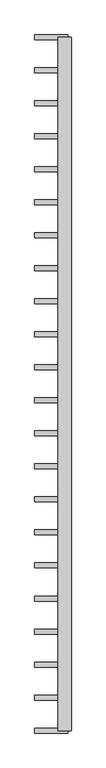
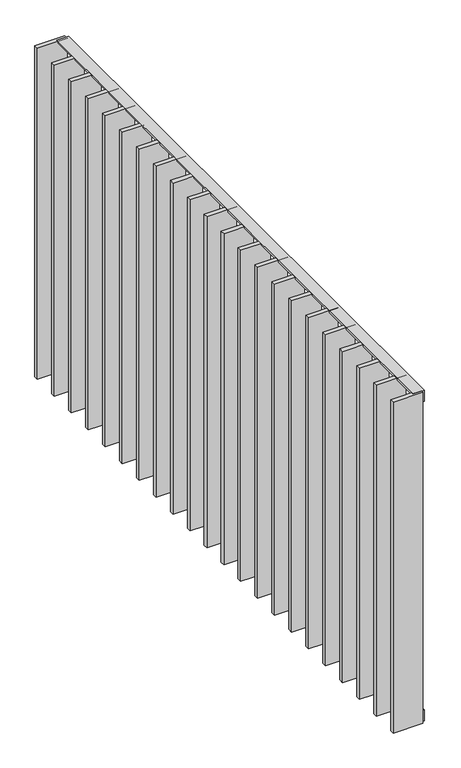
"""IFC4 building model written with IfcOpenShell, lengths in millimetres: railing geometry."""

from ifc_helpers import new_model, si_unit, frame, origin, place, context, project, spatial, polyline, outline, extrude, source, transform, mapped, element, save


def railing_4c27e26e(model_context):
    return source(origin(), model_context, "Body", "SweptSolid", [
        extrude(outline(polyline([(-6.0, 14.0), (-40.0, 14.0), (-40.0, 20.0), (0.0, 20.0), (0.0, -20.0), (-6.0, -20.0), (-6.0, 14.0)])), frame((36501.5348772, -35734.8981444, 8000.0), z_axis=(5.0311672776629815e-12, 1.0, 0.0), x_axis=(0.0, 0.0, 1.0)), (0.0, 0.0, 1.0), 2080.0),
        extrude(outline(polyline([(6.0, 14.0), (6.0, -20.0), (0.0, -20.0), (0.0, 20.0), (40.0, 20.0), (40.0, 14.0), (6.0, 14.0)])), frame((36501.5348772, -35734.8981444, 6820.0), z_axis=(5.0311672776629815e-12, 1.0, 0.0), x_axis=(0.0, 0.0, 1.0)), (0.0, 0.0, 1.0), 2080.0),
        extrude(outline(polyline([(36511.5348772, -33761.4457634), (36411.5348772, -33761.4457634), (36411.5348772, -33746.4457634), (36511.5348772, -33746.4457634), (36511.5348772, -33761.4457634)])), frame((0.0, 0.0, 6819.9), z_axis=(0.0, 0.0, 1.0), x_axis=(1.0, 0.0, 0.0)), (0.0, 0.0, 1.0), 1180.2),
        extrude(outline(polyline([(36511.5348772, -33860.4933825), (36411.5348772, -33860.4933825), (36411.5348772, -33845.4933825), (36511.5348772, -33845.4933825), (36511.5348772, -33860.4933825)])), frame((0.0, 0.0, 6819.9), z_axis=(0.0, 0.0, 1.0), x_axis=(1.0, 0.0, 0.0)), (0.0, 0.0, 1.0), 1180.2),
        extrude(outline(polyline([(36511.5348772, -33959.5410015), (36411.5348772, -33959.5410015), (36411.5348772, -33944.5410015), (36511.5348772, -33944.5410015), (36511.5348772, -33959.5410015)])), frame((0.0, 0.0, 6819.9), z_axis=(0.0, 0.0, 1.0), x_axis=(1.0, 0.0, 0.0)), (0.0, 0.0, 1.0), 1180.2),
        extrude(outline(polyline([(36511.5348772, -34058.5886206), (36411.5348772, -34058.5886206), (36411.5348772, -34043.5886206), (36511.5348772, -34043.5886206), (36511.5348772, -34058.5886206)])), frame((0.0, 0.0, 6819.9), z_axis=(0.0, 0.0, 1.0), x_axis=(1.0, 0.0, 0.0)), (0.0, 0.0, 1.0), 1180.2),
        extrude(outline(polyline([(36511.5348772, -34157.6362396), (36411.5348772, -34157.6362396), (36411.5348772, -34142.6362396), (36511.5348772, -34142.6362396), (36511.5348772, -34157.6362396)])), frame((0.0, 0.0, 6819.9), z_axis=(0.0, 0.0, 1.0), x_axis=(1.0, 0.0, 0.0)), (0.0, 0.0, 1.0), 1180.2),
        extrude(outline(polyline([(36511.5348772, -34256.6838587), (36411.5348772, -34256.6838587), (36411.5348772, -34241.6838587), (36511.5348772, -34241.6838587), (36511.5348772, -34256.6838587)])), frame((0.0, 0.0, 6819.9), z_axis=(0.0, 0.0, 1.0), x_axis=(1.0, 0.0, 0.0)), (0.0, 0.0, 1.0), 1180.2),
        extrude(outline(polyline([(36511.5348772, -34355.7314777), (36411.5348772, -34355.7314777), (36411.5348772, -34340.7314777), (36511.5348772, -34340.7314777), (36511.5348772, -34355.7314777)])), frame((0.0, 0.0, 6819.9), z_axis=(0.0, 0.0, 1.0), x_axis=(1.0, 0.0, 0.0)), (0.0, 0.0, 1.0), 1180.2),
        extrude(outline(polyline([(36511.5348772, -34454.7790968), (36411.5348772, -34454.7790968), (36411.5348772, -34439.7790968), (36511.5348772, -34439.7790968), (36511.5348772, -34454.7790968)])), frame((0.0, 0.0, 6819.9), z_axis=(0.0, 0.0, 1.0), x_axis=(1.0, 0.0, 0.0)), (0.0, 0.0, 1.0), 1180.2),
        extrude(outline(polyline([(36511.5348772, -34553.8267158), (36411.5348772, -34553.8267158), (36411.5348772, -34538.8267158), (36511.5348772, -34538.8267158), (36511.5348772, -34553.8267158)])), frame((0.0, 0.0, 6819.9), z_axis=(0.0, 0.0, 1.0), x_axis=(1.0, 0.0, 0.0)), (0.0, 0.0, 1.0), 1180.2),
        extrude(outline(polyline([(36511.5348772, -34652.8743349), (36411.5348772, -34652.8743349), (36411.5348772, -34637.8743349), (36511.5348772, -34637.8743349), (36511.5348772, -34652.8743349)])), frame((0.0, 0.0, 6819.9), z_axis=(0.0, 0.0, 1.0), x_axis=(1.0, 0.0, 0.0)), (0.0, 0.0, 1.0), 1180.2),
        extrude(outline(polyline([(36511.5348772, -34751.9219539), (36411.5348772, -34751.9219539), (36411.5348772, -34736.9219539), (36511.5348772, -34736.9219539), (36511.5348772, -34751.9219539)])), frame((0.0, 0.0, 6819.9), z_axis=(0.0, 0.0, 1.0), x_axis=(1.0, 0.0, 0.0)), (0.0, 0.0, 1.0), 1180.2),
        extrude(outline(polyline([(36511.5348772, -34850.969573), (36411.5348772, -34850.969573), (36411.5348772, -34835.969573), (36511.5348772, -34835.969573), (36511.5348772, -34850.969573)])), frame((0.0, 0.0, 6819.9), z_axis=(0.0, 0.0, 1.0), x_axis=(1.0, 0.0, 0.0)), (0.0, 0.0, 1.0), 1180.2),
        extrude(outline(polyline([(36511.5348772, -34950.017192), (36411.5348772, -34950.017192), (36411.5348772, -34935.017192), (36511.5348772, -34935.017192), (36511.5348772, -34950.017192)])), frame((0.0, 0.0, 6819.9), z_axis=(0.0, 0.0, 1.0), x_axis=(1.0, 0.0, 0.0)), (0.0, 0.0, 1.0), 1180.2),
        extrude(outline(polyline([(36511.5348772, -35049.064811), (36411.5348772, -35049.064811), (36411.5348772, -35034.064811), (36511.5348772, -35034.064811), (36511.5348772, -35049.064811)])), frame((0.0, 0.0, 6819.9), z_axis=(0.0, 0.0, 1.0), x_axis=(1.0, 0.0, 0.0)), (0.0, 0.0, 1.0), 1180.2),
        extrude(outline(polyline([(36511.5348772, -35148.1124301), (36411.5348772, -35148.1124301), (36411.5348772, -35133.1124301), (36511.5348772, -35133.1124301), (36511.5348772, -35148.1124301)])), frame((0.0, 0.0, 6819.9), z_axis=(0.0, 0.0, 1.0), x_axis=(1.0, 0.0, 0.0)), (0.0, 0.0, 1.0), 1180.2),
        extrude(outline(polyline([(36511.5348772, -35247.1600491), (36411.5348772, -35247.1600491), (36411.5348772, -35232.1600491), (36511.5348772, -35232.1600491), (36511.5348772, -35247.1600491)])), frame((0.0, 0.0, 6819.9), z_axis=(0.0, 0.0, 1.0), x_axis=(1.0, 0.0, 0.0)), (0.0, 0.0, 1.0), 1180.2),
        extrude(outline(polyline([(36511.5348772, -35346.2076682), (36411.5348772, -35346.2076682), (36411.5348772, -35331.2076682), (36511.5348772, -35331.2076682), (36511.5348772, -35346.2076682)])), frame((0.0, 0.0, 6819.9), z_axis=(0.0, 0.0, 1.0), x_axis=(1.0, 0.0, 0.0)), (0.0, 0.0, 1.0), 1180.2),
        extrude(outline(polyline([(36511.5348772, -35445.2552872), (36411.5348772, -35445.2552872), (36411.5348772, -35430.2552872), (36511.5348772, -35430.2552872), (36511.5348772, -35445.2552872)])), frame((0.0, 0.0, 6819.9), z_axis=(0.0, 0.0, 1.0), x_axis=(1.0, 0.0, 0.0)), (0.0, 0.0, 1.0), 1180.2),
        extrude(outline(polyline([(36511.5348772, -35544.3029063), (36411.5348772, -35544.3029063), (36411.5348772, -35529.3029063), (36511.5348772, -35529.3029063), (36511.5348772, -35544.3029063)])), frame((0.0, 0.0, 6819.9), z_axis=(0.0, 0.0, 1.0), x_axis=(1.0, 0.0, 0.0)), (0.0, 0.0, 1.0), 1180.2),
        extrude(outline(polyline([(36511.5348772, -35643.3505253), (36411.5348772, -35643.3505253), (36411.5348772, -35628.3505253), (36511.5348772, -35628.3505253), (36511.5348772, -35643.3505253)])), frame((0.0, 0.0, 6819.9), z_axis=(0.0, 0.0, 1.0), x_axis=(1.0, 0.0, 0.0)), (0.0, 0.0, 1.0), 1180.2),
        extrude(outline(polyline([(36511.5348772, -33662.3981444), (36411.5348772, -33662.3981444), (36411.5348772, -33647.3981444), (36511.5348772, -33647.3981444), (36511.5348772, -33662.3981444)])), frame((0.0, 0.0, 6819.9), z_axis=(0.0, 0.0, 1.0), x_axis=(1.0, 0.0, 0.0)), (0.0, 0.0, 1.0), 1180.2),
        extrude(outline(polyline([(36511.5348772, -35742.3981444), (36411.5348772, -35742.3981444), (36411.5348772, -35727.3981444), (36511.5348772, -35727.3981444), (36511.5348772, -35742.3981444)])), frame((0.0, 0.0, 6819.9), z_axis=(0.0, 0.0, 1.0), x_axis=(1.0, 0.0, 0.0)), (0.0, 0.0, 1.0), 1180.2),
    ])


if __name__ == "__main__":
    model = new_model("IFC4")
    model_context = context("Model", 3, world=origin())
    ifc_project = project(units=[si_unit("LENGTHUNIT", "METRE", prefix="MILLI")], contexts=[model_context])
    site = spatial("IfcSite", under=ifc_project)
    building = spatial("IfcBuilding", under=site)
    placement = place(None, origin())
    railing_shape = railing_4c27e26e(model_context)
    element("IfcRailing", 1, at=placement, inside=building, context=model_context, shape_type="MappedRepresentation", body=[
        mapped(railing_shape, transform((0.0, 0.0, 0.0), x_axis=(1.0, 0.0, 0.0), y_axis=(0.0, 1.0, 0.0), z_axis=(0.0, 0.0, 1.0))),
    ])
    save(model, "model.ifc")
